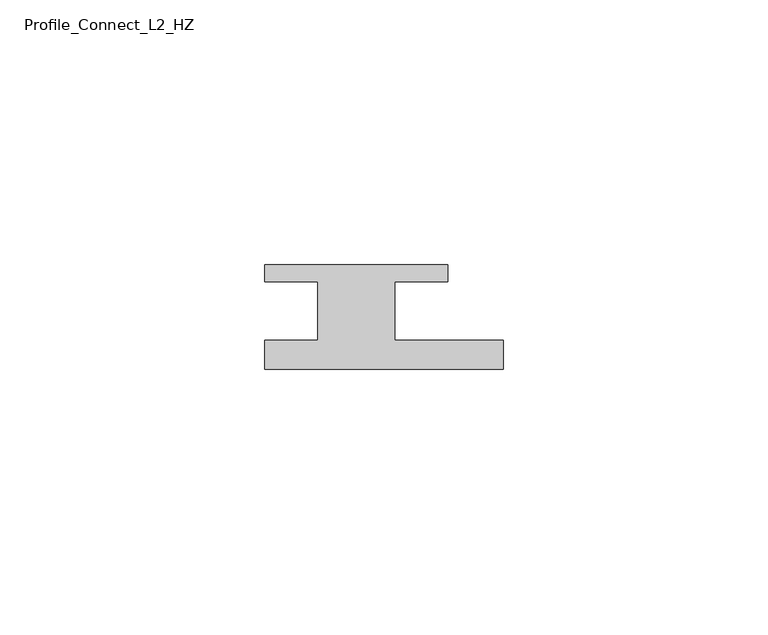
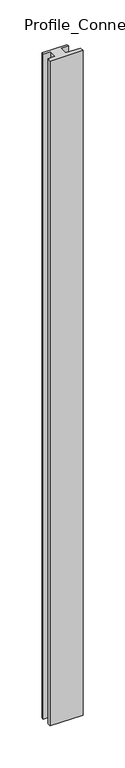
"""IFC4 building model written with IfcOpenShell, lengths in millimetres: member geometry, Profile_Connect_L2_HZ."""

from ifc_helpers import new_model, si_unit, frame, origin, place, context, project, spatial, polyline, outline, extrude, source, transform, mapped, element, save


def profile_connect_l2_hz_64c71514(model_context):
    return source(origin(), model_context, "Body", "SweptSolid", [
        extrude(outline(polyline([(26.6, -5.5), (26.6, -11.0), (-18.4, -11.0), (-18.4, -5.5), (-8.4, -5.5), (-8.4, 5.5), (-18.4, 5.5), (-18.4, 8.7), (16.1, 8.7), (16.1, 5.5), (6.1, 5.5), (6.1, -5.5), (26.6, -5.5)])), frame((0.0, 0.0, -964.5), z_axis=(0.0, 0.0, 1.0), x_axis=(1.0, 0.0, 0.0)), (0.0, 0.0, 1.0), 964.5),
    ])


if __name__ == "__main__":
    model = new_model("IFC4")
    model_context = context("Model", 3, world=origin())
    ifc_project = project(units=[si_unit("LENGTHUNIT", "METRE", prefix="MILLI")], contexts=[model_context])
    site = spatial("IfcSite", under=ifc_project)
    building = spatial("IfcBuilding", under=site)
    placement = place(None, origin())
    profile_connect_l2_hz_shape = profile_connect_l2_hz_64c71514(model_context)
    element("IfcMember", 1, ObjectType="Profile_Connect_L2_HZ", at=placement, inside=building, context=model_context, shape_type="MappedRepresentation", body=[
        mapped(profile_connect_l2_hz_shape, transform((0.0, 0.0, 0.0), x_axis=(1.0, 0.0, 0.0), y_axis=(0.0, 1.0, 0.0), z_axis=(0.0, 0.0, 1.0))),
    ])
    save(model, "model.ifc")
